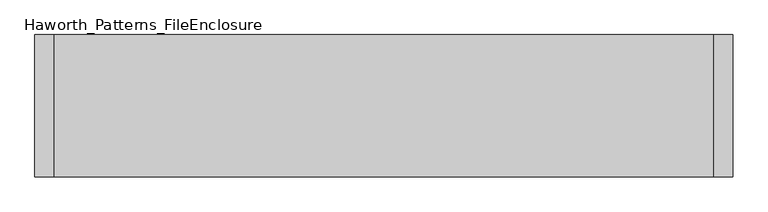
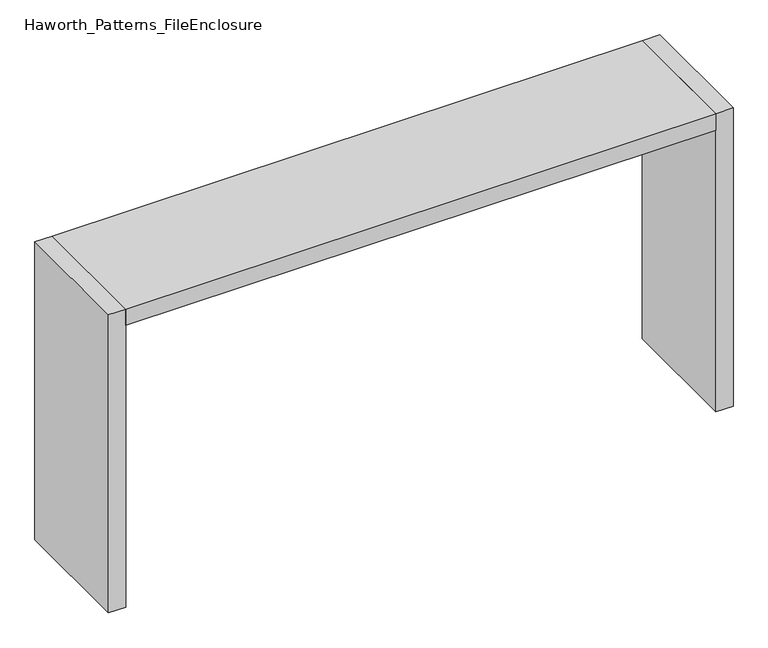
"""IFC4 building model written with IfcOpenShell, lengths in millimetres: furniture geometry, Haworth_Patterns_FileEnclosure."""

from ifc_helpers import new_model, si_unit, frame, origin, origin_with_axes, place, context, project, spatial, polyline, outline, extrude, source, transform, mapped, element, save


def haworth_patterns_fileenclosure_e9e12d5c(model_context):
    return source(origin(), model_context, "Body", "SweptSolid", [
        extrude(outline(polyline([(1295.4, 0.0), (1295.4, -558.8), (-1295.4, -558.8), (-1295.4, 0.0), (1295.4, 0.0)])), frame((0.0, 0.0, 1308.1), z_axis=(0.0, 0.0, 1.0), x_axis=(1.0, 0.0, 0.0)), (0.0, 0.0, 1.0), 76.2),
        extrude(outline(polyline([(1295.4, 0.0), (1371.6, 0.0), (1371.6, -558.8), (1295.4, -558.8), (1295.4, 0.0)])), origin_with_axes(), (0.0, 0.0, 1.0), 1384.3),
        extrude(outline(polyline([(-1295.4, 0.0), (-1295.4, -558.8), (-1371.6, -558.8), (-1371.6, 0.0), (-1295.4, 0.0)])), origin_with_axes(), (0.0, 0.0, 1.0), 1384.3),
    ])


if __name__ == "__main__":
    model = new_model("IFC4")
    model_context = context("Model", 3, world=origin())
    ifc_project = project(units=[si_unit("LENGTHUNIT", "METRE", prefix="MILLI")], contexts=[model_context])
    site = spatial("IfcSite", under=ifc_project)
    building = spatial("IfcBuilding", under=site)
    placement = place(None, origin())
    haworth_patterns_fileenclosure_shape = haworth_patterns_fileenclosure_e9e12d5c(model_context)
    element("IfcFurniture", 1, ObjectType="Haworth_Patterns_FileEnclosure", at=placement, inside=building, context=model_context, shape_type="MappedRepresentation", body=[
        mapped(haworth_patterns_fileenclosure_shape, transform((0.0, 0.0, 0.0), x_axis=(1.0, 0.0, 0.0), y_axis=(0.0, 1.0, 0.0), z_axis=(0.0, 0.0, 1.0))),
    ])
    save(model, "model.ifc")
